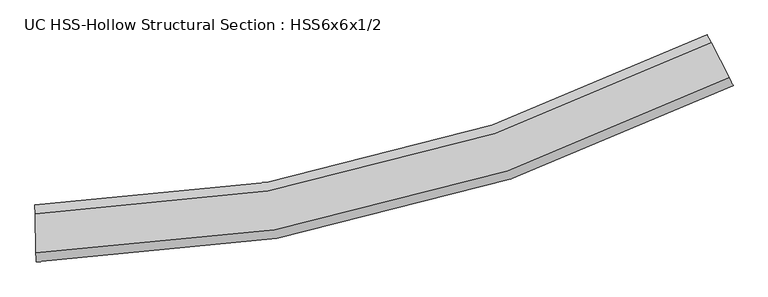
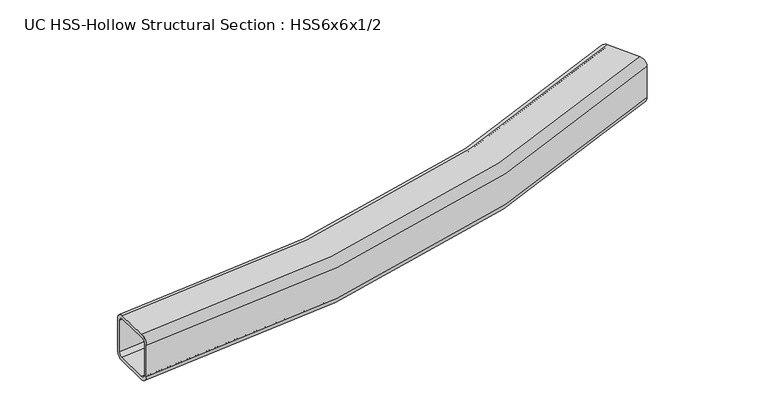
"""IFC4 building model written with IfcOpenShell, lengths in millimetres: beam geometry, UC HSS-Hollow Structural Section : HSS6x6x1/2."""

from ifc_helpers import new_model, si_unit, point, frame, origin, place, context, project, spatial, polyline, circle_curve, ellipse_curve, trimmed, source, transform, mapped, element, save
from ifc_brep_helpers import plane_surface, cylinder_surface, revolved_surface, advanced_brep


def uc_hss_hollow_structural_section_hss6x6x1_2_dc13313d(model_context):
    return source(origin(), model_context, "Body", "AdvancedBrep", [
        advanced_brep(
        [(1959.1257602, 398.0042592, 52.578), (1959.1257602, 398.0042592, -52.578), (1948.3232929, 419.0115337, -76.2), (1900.2348898, 512.5277881, -76.2), (1889.4324225, 533.5350626, -52.578), (1889.4324225, 533.5350626, 52.578), (1900.2348898, 512.5277881, 76.2), (1948.3232929, 419.0115337, 76.2), (1900.2348898, 512.5277881, 64.389), (1894.8336561, 523.0314253, 52.578), (1894.8336561, 523.0314253, -52.578), (1900.2348898, 512.5277881, -64.389), (1948.3232929, 419.0115337, -64.389), (1953.7245265, 408.5078965, -52.578), (1953.7245265, 408.5078965, 52.578), (1948.3232929, 419.0115337, 64.389), (92.5267364, -75.2006925, 52.578), (92.0165511, -51.5842026, 76.2), (89.7454039, 53.5472685, 76.2), (89.2352187, 77.1637584, 52.578), (89.2352187, 77.1637584, -52.578), (89.7454039, 53.5472685, -76.2), (92.0165511, -51.5842026, -76.2), (92.5267364, -75.2006925, -52.578), (89.7454039, 53.5472685, 64.389), (92.0165511, -51.5842026, 64.389), (92.2716437, -63.3924476, 52.578), (92.2716437, -63.3924476, -52.578), (92.0165511, -51.5842026, -64.389), (89.7454039, 53.5472685, -64.389), (89.4903113, 65.3555135, -52.578), (89.4903113, 65.3555135, 52.578)],
        [
            (0, 1),
            (1, 2, circle_curve(frame((1948.3232929, 419.0115337, -52.578), z_axis=(0.8893097336247621, 0.45730536589925835, 0.0), x_axis=(-0.45730536589925835, 0.8893097336247621, 0.0)), 23.622)),
            (2, 3),
            (3, 4, circle_curve(frame((1900.2348898, 512.5277881, -52.578), z_axis=(0.8893097336247621, 0.45730536589925835, 0.0), x_axis=(-0.45730536589925835, 0.8893097336247621, 0.0)), 23.622)),
            (4, 5),
            (5, 6, circle_curve(frame((1900.2348898, 512.5277881, 52.578), z_axis=(0.8893097336247621, 0.45730536589925835, 0.0), x_axis=(-0.45730536589925835, 0.8893097336247621, 0.0)), 23.622)),
            (6, 7),
            (7, 0, circle_curve(frame((1948.3232929, 419.0115337, 52.578), z_axis=(0.8893097336247621, 0.45730536589925835, 0.0), x_axis=(-0.45730536589925835, 0.8893097336247621, 0.0)), 23.622)),
            (8, 9, circle_curve(frame((1900.2348898, 512.5277881, 52.578), z_axis=(-0.8893097336247621, -0.45730536589925835, 0.0), x_axis=(-0.45730536589925835, 0.8893097336247621, 0.0)), 11.811)),
            (9, 10),
            (10, 11, circle_curve(frame((1900.2348898, 512.5277881, -52.578), z_axis=(-0.8893097336247621, -0.45730536589925835, 0.0), x_axis=(-0.45730536589925835, 0.8893097336247621, 0.0)), 11.811)),
            (11, 12),
            (12, 13, circle_curve(frame((1948.3232929, 419.0115337, -52.578), z_axis=(-0.8893097336247621, -0.45730536589925835, 0.0), x_axis=(-0.45730536589925835, 0.8893097336247621, 0.0)), 11.811)),
            (13, 14),
            (14, 15, circle_curve(frame((1948.3232929, 419.0115337, 52.578), z_axis=(-0.8893097336247621, -0.45730536589925835, 0.0), x_axis=(-0.45730536589925835, 0.8893097336247621, 0.0)), 11.811)),
            (15, 8),
            (16, 17, circle_curve(frame((92.0165511, -51.5842026, 52.578), z_axis=(-0.9997667384745743, -0.0215978850796122, 0.0), x_axis=(-0.0215978850796122, 0.9997667384745743, 0.0)), 23.622)),
            (17, 18),
            (18, 19, circle_curve(frame((89.7454039, 53.5472685, 52.578), z_axis=(-0.9997667384745743, -0.0215978850796122, 0.0), x_axis=(-0.0215978850796122, 0.9997667384745743, 0.0)), 23.622)),
            (19, 20),
            (20, 21, circle_curve(frame((89.7454039, 53.5472685, -52.578), z_axis=(-0.9997667384745743, -0.0215978850796122, 0.0), x_axis=(-0.0215978850796122, 0.9997667384745743, 0.0)), 23.622)),
            (21, 22),
            (22, 23, circle_curve(frame((92.0165511, -51.5842026, -52.578), z_axis=(-0.9997667384745743, -0.0215978850796122, 0.0), x_axis=(-0.0215978850796122, 0.9997667384745743, 0.0)), 23.622)),
            (23, 16),
            (24, 25),
            (25, 26, circle_curve(frame((92.0165511, -51.5842026, 52.578), z_axis=(0.9997667384745743, 0.0215978850796122, 0.0), x_axis=(-0.0215978850796122, 0.9997667384745743, 0.0)), 11.811)),
            (26, 27),
            (27, 28, circle_curve(frame((92.0165511, -51.5842026, -52.578), z_axis=(0.9997667384745743, 0.0215978850796122, 0.0), x_axis=(-0.0215978850796122, 0.9997667384745743, 0.0)), 11.811)),
            (28, 29),
            (29, 30, circle_curve(frame((89.7454039, 53.5472685, -52.578), z_axis=(0.9997667384745743, 0.0215978850796122, 0.0), x_axis=(-0.0215978850796122, 0.9997667384745743, 0.0)), 11.811)),
            (30, 31),
            (31, 24, circle_curve(frame((89.7454039, 53.5472685, 52.578), z_axis=(0.9997667384745743, 0.0215978850796122, 0.0), x_axis=(-0.0215978850796122, 0.9997667384745743, 0.0)), 11.811)),
            (7, 17, circle_curve(frame((0.0, 4207.8646673, 76.2), z_axis=(0.0, 0.0, -1.0), x_axis=(-0.9999729563490148, 0.00735435725343781, 0.0)), 4260.4426673)),
            (16, 0, circle_curve(frame((0.0, 4207.8646673, 52.578), z_axis=(0.0, 0.0, 1.0), x_axis=(-0.9999729563490148, 0.00735435725343781, 0.0)), 4284.0646673)),
            (6, 18, circle_curve(frame((0.0, 4207.8646673, 76.2), z_axis=(0.0, 0.0, -1.0), x_axis=(-0.9999729563490148, 0.00735435725343781, 0.0)), 4155.2866673)),
            (5, 19, circle_curve(frame((0.0, 4207.8646673, 52.578), z_axis=(0.0, 0.0, -1.0), x_axis=(-0.9999729563490148, 0.00735435725343781, 0.0)), 4131.6646673)),
            (4, 20, circle_curve(frame((0.0, 4207.8646673, -52.578), z_axis=(0.0, 0.0, -1.0), x_axis=(-0.9999729563490148, 0.00735435725343781, 0.0)), 4131.6646673)),
            (3, 21, circle_curve(frame((0.0, 4207.8646673, -76.2), z_axis=(0.0, 0.0, -1.0), x_axis=(-0.9999729563490148, 0.00735435725343781, 0.0)), 4155.2866673)),
            (2, 22, circle_curve(frame((0.0, 4207.8646673, -76.2), z_axis=(0.0, 0.0, -1.0), x_axis=(-0.9999729563490148, 0.00735435725343781, 0.0)), 4260.4426673)),
            (1, 23, circle_curve(frame((0.0, 4207.8646673, -52.578), z_axis=(0.0, 0.0, -1.0), x_axis=(-0.9999729563490148, 0.00735435725343781, 0.0)), 4284.0646673)),
            (15, 25, circle_curve(frame((0.0, 4207.8646673, 64.389), z_axis=(0.0, 0.0, -1.0), x_axis=(-0.9999729563490148, 0.00735435725343781, 0.0)), 4260.4426673)),
            (24, 8, circle_curve(frame((0.0, 4207.8646673, 64.389), z_axis=(0.0, 0.0, 1.0), x_axis=(-0.9999729563490148, 0.00735435725343781, 0.0)), 4155.2866673)),
            (14, 26, circle_curve(frame((0.0, 4207.8646673, 52.578), z_axis=(0.0, 0.0, -1.0), x_axis=(-0.9999729563490148, 0.00735435725343781, 0.0)), 4272.2536673)),
            (13, 27, circle_curve(frame((0.0, 4207.8646673, -52.578), z_axis=(0.0, 0.0, -1.0), x_axis=(-0.9999729563490148, 0.00735435725343781, 0.0)), 4272.2536673)),
            (12, 28, circle_curve(frame((0.0, 4207.8646673, -64.389), z_axis=(0.0, 0.0, -1.0), x_axis=(-0.9999729563490148, 0.00735435725343781, 0.0)), 4260.4426673)),
            (11, 29, circle_curve(frame((0.0, 4207.8646673, -64.389), z_axis=(0.0, 0.0, -1.0), x_axis=(-0.9999729563490148, 0.00735435725343781, 0.0)), 4155.2866673)),
            (10, 30, circle_curve(frame((0.0, 4207.8646673, -52.578), z_axis=(0.0, 0.0, -1.0), x_axis=(-0.9999729563490148, 0.00735435725343781, 0.0)), 4143.4756673)),
            (9, 31, circle_curve(frame((0.0, 4207.8646673, 52.578), z_axis=(0.0, 0.0, -1.0), x_axis=(-0.9999729563490148, 0.00735435725343781, 0.0)), 4143.4756673)),
        ],
        [
            plane_surface(frame((1924.2790913, 465.7696609, 0.0), z_axis=(0.889309733624759, 0.45730536589926457, 0.0), x_axis=(0.0, 0.0, 1.0))),
            plane_surface(frame((90.8809775, 0.9815329, 0.0), z_axis=(-0.9997667384745742, -0.02159788507961908, 0.0), x_axis=(0.0, 0.0, 1.0))),
            revolved_surface(trimmed(ellipse_curve(frame((-4260.3274494, 4239.1974847, 52.578), z_axis=(-0.007354357253444686, -0.9999729563490148, 0.0), x_axis=(0.9999729563490148, -0.007354357253444686, 0.0)), 23.622, 23.622), [point((-4260.3274494, 4239.1974847, 76.2))], [point((-4283.9488105, 4239.3712094, 52.578))], True, "CARTESIAN"), (0.0, 4207.8646673, 0.0), (0.0, 0.0, -1.0)),
            plane_surface(frame((0.0, 4207.8646673, 76.2), z_axis=(0.0, 0.0, 1.0), x_axis=(-0.9999729563490148, 0.00735435725343781, 0.0))),
            revolved_surface(trimmed(ellipse_curve(frame((-4155.1742932, 4238.4241299, 52.578), z_axis=(-0.007354357253444686, -0.9999729563490148, 0.0), x_axis=(0.9999729563490148, -0.007354357253444686, 0.0)), 23.622, 23.622), [point((-4131.552932, 4238.2504053, 52.578))], [point((-4155.1742932, 4238.4241299, 76.2))], True, "CARTESIAN"), (0.0, 4207.8646673, 0.0), (0.0, 0.0, -1.0)),
            revolved_surface(polyline([(-4131.552932002749, 4238.25040531473, -52.578), (-4131.552932002749, 4238.25040531473, 52.578)]), (0.0, 4207.8646673, 0.0), (0.0, 0.0, -1.0)),
            revolved_surface(trimmed(ellipse_curve(frame((-4155.1742932, 4238.4241299, -52.578), z_axis=(-0.007354357253444686, -0.9999729563490148, 0.0), x_axis=(0.9999729563490148, -0.007354357253444686, 0.0)), 23.622, 23.622), [point((-4155.1742932, 4238.4241299, -76.2))], [point((-4131.552932, 4238.2504053, -52.578))], True, "CARTESIAN"), (0.0, 4207.8646673, 0.0), (0.0, 0.0, -1.0)),
            plane_surface(frame((0.0, 4207.8646673, -76.2), z_axis=(0.0, 0.0, -1.0), x_axis=(-0.9999729563490148, 0.00735435725343781, 0.0))),
            revolved_surface(trimmed(ellipse_curve(frame((-4260.3274494, 4239.1974847, -52.578), z_axis=(-0.007354357253444686, -0.9999729563490148, 0.0), x_axis=(0.9999729563490148, -0.007354357253444686, 0.0)), 23.622, 23.622), [point((-4283.9488105, 4239.3712094, -52.578))], [point((-4260.3274494, 4239.1974847, -76.2))], True, "CARTESIAN"), (0.0, 4207.8646673, 0.0), (0.0, 0.0, -1.0)),
            cylinder_surface(frame((0.0, 4207.8646673, 0.0), z_axis=(0.0, 0.0, -1.0), x_axis=(-0.9999729563490148, 0.00735435725343781, 0.0)), 4284.0646673),
            plane_surface(frame((0.0, 4207.8646673, 64.389), z_axis=(0.0, 0.0, -1.0), x_axis=(-0.9999729563490148, 0.00735435725343781, 0.0))),
            revolved_surface(trimmed(ellipse_curve(frame((-4260.3274494, 4239.1974847, 52.578), z_axis=(0.007354357253444686, 0.9999729563490148, 0.0), x_axis=(0.9999729563490148, -0.007354357253444686, 0.0)), 11.811, 11.811), [point((-4272.13813, 4239.284347, 52.578))], [point((-4260.3274494, 4239.1974847, 64.389))], True, "CARTESIAN"), (0.0, 4207.8646673, 0.0), (0.0, 0.0, -1.0)),
            revolved_surface(polyline([(-4272.138129962902, 4239.284347046634, -52.578), (-4272.138129962902, 4239.284347046634, 52.578)]), (0.0, 4207.8646673, 0.0), (0.0, 0.0, -1.0)),
            revolved_surface(trimmed(ellipse_curve(frame((-4260.3274494, 4239.1974847, -52.578), z_axis=(0.007354357253444686, 0.9999729563490148, 0.0), x_axis=(0.9999729563490148, -0.007354357253444686, 0.0)), 11.811, 11.811), [point((-4260.3274494, 4239.1974847, -64.389))], [point((-4272.13813, 4239.284347, -52.578))], True, "CARTESIAN"), (0.0, 4207.8646673, 0.0), (0.0, 0.0, -1.0)),
            plane_surface(frame((0.0, 4207.8646673, -64.389), z_axis=(0.0, 0.0, 1.0), x_axis=(-0.9999729563490148, 0.00735435725343781, 0.0))),
            revolved_surface(trimmed(ellipse_curve(frame((-4155.1742932, 4238.4241299, -52.578), z_axis=(0.007354357253444686, 0.9999729563490148, 0.0), x_axis=(0.9999729563490148, -0.007354357253444686, 0.0)), 11.811, 11.811), [point((-4143.3636126, 4238.3372676, -52.578))], [point((-4155.1742932, 4238.4241299, -64.389))], True, "CARTESIAN"), (0.0, 4207.8646673, 0.0), (0.0, 0.0, -1.0)),
            cylinder_surface(frame((0.0, 4207.8646673, 0.0), z_axis=(0.0, 0.0, -1.0), x_axis=(-0.9999729563490148, 0.00735435725343781, 0.0)), 4143.4756673),
            revolved_surface(trimmed(ellipse_curve(frame((-4155.1742932, 4238.4241299, 52.578), z_axis=(0.007354357253444686, 0.9999729563490148, 0.0), x_axis=(0.9999729563490148, -0.007354357253444686, 0.0)), 11.811, 11.811), [point((-4155.1742932, 4238.4241299, 64.389))], [point((-4143.3636126, 4238.3372676, 52.578))], True, "CARTESIAN"), (0.0, 4207.8646673, 0.0), (0.0, 0.0, -1.0)),
        ],
        [
            (0, [[1, 2, 3, 4, 5, 6, 7, 8], [9, 10, 11, 12, 13, 14, 15, 16]]),
            (1, [[17, 18, 19, 20, 21, 22, 23, 24], [25, 26, 27, 28, 29, 30, 31, 32]]),
            (2, [[33, -17, 34, -8]]),
            (3, [[35, -18, -33, -7]]),
            (4, [[36, -19, -35, -6]]),
            (5, [[37, -20, -36, -5]]),
            (6, [[38, -21, -37, -4]]),
            (7, [[39, -22, -38, -3]]),
            (8, [[40, -23, -39, -2]]),
            (9, [[-34, -24, -40, -1]]),
            (10, [[41, -25, 42, -16]]),
            (11, [[43, -26, -41, -15]]),
            (12, [[44, -27, -43, -14]]),
            (13, [[45, -28, -44, -13]]),
            (14, [[46, -29, -45, -12]]),
            (15, [[47, -30, -46, -11]]),
            (16, [[48, -31, -47, -10]]),
            (17, [[-42, -32, -48, -9]]),
        ],
    ),
    ])


if __name__ == "__main__":
    model = new_model("IFC4")
    model_context = context("Model", 3, world=origin())
    ifc_project = project(units=[si_unit("LENGTHUNIT", "METRE", prefix="MILLI")], contexts=[model_context])
    site = spatial("IfcSite", under=ifc_project)
    building = spatial("IfcBuilding", under=site)
    placement = place(None, origin())
    uc_hss_hollow_structural_section_hss6x6x1_2_shape = uc_hss_hollow_structural_section_hss6x6x1_2_dc13313d(model_context)
    element("IfcBeam", 1, ObjectType="UC HSS-Hollow Structural Section : HSS6x6x1/2", at=placement, inside=building, context=model_context, shape_type="MappedRepresentation", body=[
        mapped(uc_hss_hollow_structural_section_hss6x6x1_2_shape, transform((0.0, 0.0, 0.0), x_axis=(1.0, 0.0, 0.0), y_axis=(0.0, 1.0, 0.0), z_axis=(0.0, 0.0, 1.0))),
    ])
    save(model, "model.ifc")
